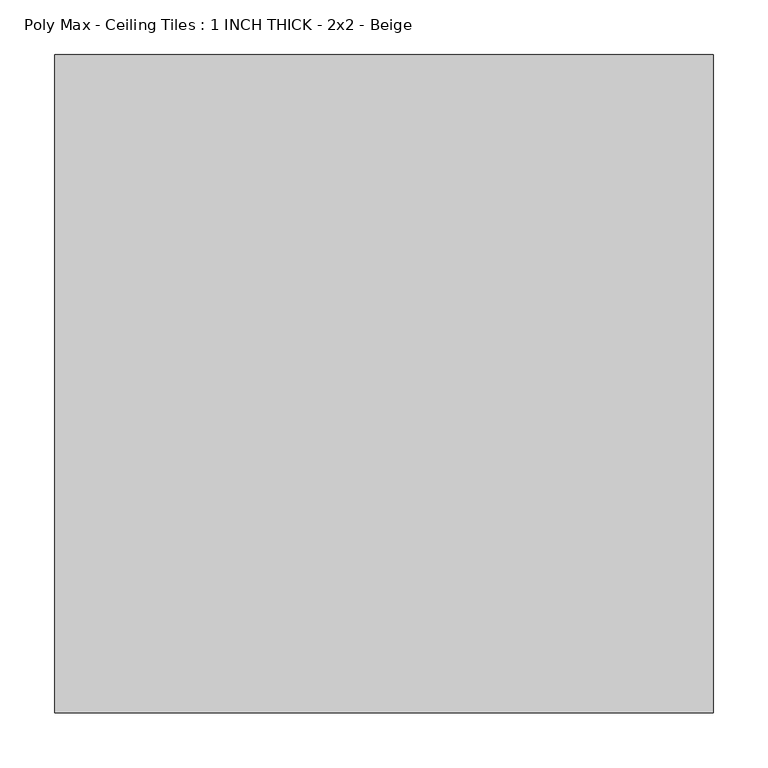
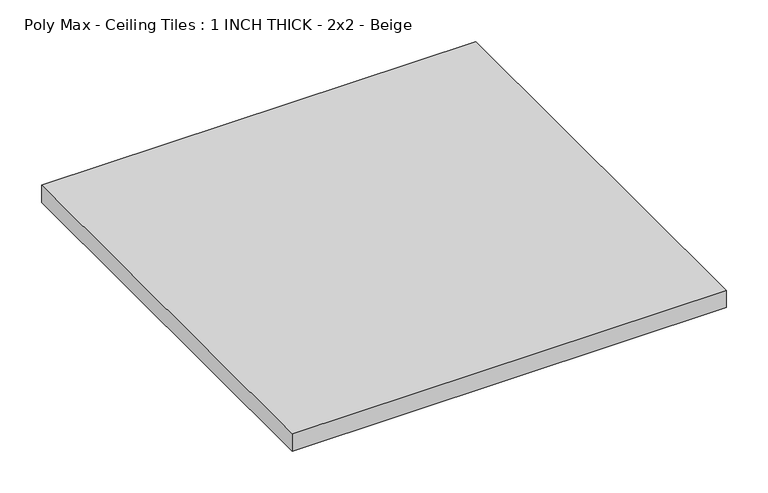
"""IFC4 building model written with IfcOpenShell, lengths in millimetres: proxy geometry, Poly Max - Ceiling Tiles : 1 INCH THICK - 2x2 - Beige."""

from ifc_helpers import new_model, si_unit, origin, origin_with_axes, place, context, project, spatial, polyline, outline, extrude, source, transform, mapped, element, save


def poly_max_ceiling_tiles_1_inch_thick_2x2_beige_516bae67(model_context):
    return source(origin(), model_context, "Body", "SweptSolid", [
        extrude(outline(polyline([(-301.625, 301.625), (301.625, 301.625), (301.625, -301.625), (-301.625, -301.625), (-301.625, 301.625)])), origin_with_axes(), (0.0, 0.0, 1.0), 25.4),
    ])


if __name__ == "__main__":
    model = new_model("IFC4")
    model_context = context("Model", 3, world=origin())
    ifc_project = project(units=[si_unit("LENGTHUNIT", "METRE", prefix="MILLI")], contexts=[model_context])
    site = spatial("IfcSite", under=ifc_project)
    building = spatial("IfcBuilding", under=site)
    placement = place(None, origin())
    poly_max_ceiling_tiles_1_inch_thick_2x2_beige_shape = poly_max_ceiling_tiles_1_inch_thick_2x2_beige_516bae67(model_context)
    element("IfcBuildingElementProxy", 1, Name="Poly Max - Ceiling Tiles : 1 INCH THICK - 2x2 - Beige", ObjectType="Poly Max - Ceiling Tiles : 1 INCH THICK - 2x2 - Beige", at=placement, inside=building, context=model_context, shape_type="MappedRepresentation", body=[
        mapped(poly_max_ceiling_tiles_1_inch_thick_2x2_beige_shape, transform((0.0, 0.0, 0.0), x_axis=(1.0, 0.0, 0.0), y_axis=(0.0, 1.0, 0.0), z_axis=(0.0, 0.0, 1.0))),
    ])
    save(model, "model.ifc")
